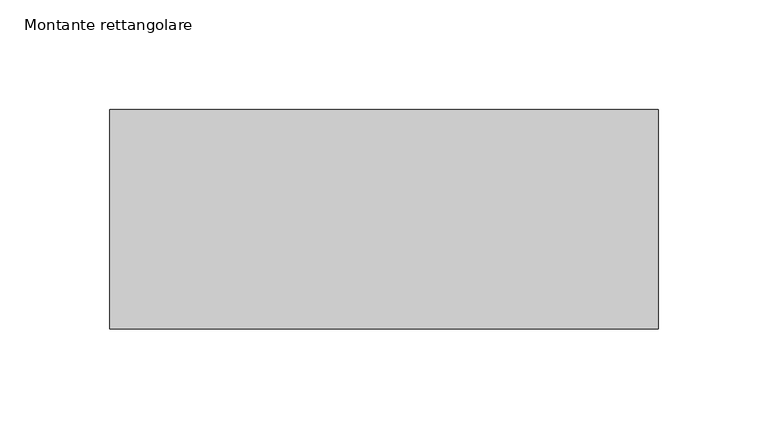
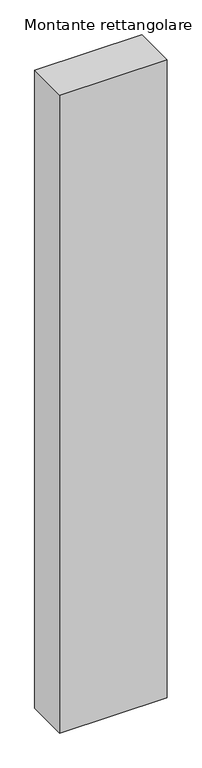
"""IFC4 building model written with IfcOpenShell, lengths in millimetres: member geometry, Montante rettangolare."""

import ifcopenshell
import ifcopenshell.guid

model = None  # the IFC model being written
_history = None  # IfcOwnerHistory: only IFC2X3 demands one
_inside = {}  # id of a spatial element -> (the spatial element, [elements in it])
_under = {}  # id of a project, library or spatial element -> (it, [spatial elements below it])
_declared = {}  # id of a project -> (the project, [libraries it declares])
_typed = {}  # id of a type object -> (the type object, [elements of that type])
_made_of = {}  # id of a material, layer set ... -> (it, [elements and type objects made of it])


def new_model(schema):
    """Start an empty IFC model of exactly this schema.

    Asked for "IFC4X3", IfcOpenShell would pick the latest addendum, in which some entities
    have other attributes; the version numbers below select the first issue.
    IFC2X3 requires an IfcOwnerHistory on every rooted entity: one is made here for all.
    """
    global model, _history
    if schema == "IFC4X3":
        model = ifcopenshell.file(schema_version=(4, 3, 0, 0))
    else:
        model = ifcopenshell.file(schema=schema)
    _inside.clear()
    _under.clear()
    _declared.clear()
    _typed.clear()
    _made_of.clear()
    _history = None
    if model.schema == "IFC2X3":
        org = make("IfcOrganization", Name="unknown")
        user = make(
            "IfcPersonAndOrganization",
            ThePerson=make("IfcPerson", FamilyName="unknown"),
            TheOrganization=org,
        )
        app = make(
            "IfcApplication",
            ApplicationDeveloper=org,
            Version="unknown",
            ApplicationFullName="unknown",
            ApplicationIdentifier="unknown",
        )
        _history = make(
            "IfcOwnerHistory",
            OwningUser=user,
            OwningApplication=app,
            ChangeAction="ADDED",
            CreationDate=0,
        )
    return model


def make(cls, **values):
    """One entity of the class cls with the attributes given. An attribute that is None is left unset."""
    return model.create_entity(
        cls, **{name: value for name, value in values.items() if value is not None}
    )


def rooted(cls, **values):
    """An entity with a GlobalId (a new one), such as an element, a storey or a relation."""
    return make(cls, GlobalId=ifcopenshell.guid.new(), OwnerHistory=_history, **values)


def si_unit(unit_type, name, prefix=None):
    """IfcSIUnit, for example si_unit("LENGTHUNIT", "METRE", prefix="MILLI")."""
    return make("IfcSIUnit", UnitType=unit_type, Prefix=prefix, Name=name)


def assignment(units):
    """IfcUnitAssignment: the units of a project."""
    return None if units is None else make("IfcUnitAssignment", Units=units)


def point(xyz):
    """IfcCartesianPoint."""
    return None if xyz is None else make("IfcCartesianPoint", Coordinates=xyz)


def direction(xyz):
    """IfcDirection."""
    return None if xyz is None else make("IfcDirection", DirectionRatios=xyz)


def frame(location, z_axis=None, x_axis=None):
    """IfcAxis2Placement3D, a coordinate frame: its origin and axes. An axis left out is left unset."""
    return make(
        "IfcAxis2Placement3D",
        Location=point(location),
        Axis=direction(z_axis),
        RefDirection=direction(x_axis),
    )


def origin():
    """The frame at (0, 0, 0) with its axes left unset."""
    return frame((0.0, 0.0, 0.0))


def place(relative_to, where):
    """IfcLocalPlacement: puts the frame where relative to a parent placement (None: the world)."""
    return make(
        "IfcLocalPlacement", PlacementRelTo=relative_to, RelativePlacement=where
    )


def context(
    kind, dimensions, precision=None, world=None, true_north=None, identifier=None
):
    """IfcGeometricRepresentationContext, for example the 3D "Model" context."""
    return make(
        "IfcGeometricRepresentationContext",
        ContextIdentifier=identifier,
        ContextType=kind,
        CoordinateSpaceDimension=dimensions,
        Precision=precision,
        WorldCoordinateSystem=world,
        TrueNorth=true_north,
    )


def project(units=None, contexts=None):
    """IfcProject with its units and contexts."""
    return rooted(
        "IfcProject",
        Name="project",
        RepresentationContexts=contexts,
        UnitsInContext=assignment(units),
    )


def spatial(cls, under=None, at=None, **own):
    """A site, building, storey or space (cls), placed at a placement, below another one or the project."""
    s = rooted(cls, ObjectPlacement=at, **own)
    if under is not None:
        _under.setdefault(under.id(), (under, []))[1].append(s)
    return s


def polyline(points):
    """IfcPolyline through the points."""
    return make("IfcPolyline", Points=[point(p) for p in points])


def outline(outer, holes=None, kind="AREA"):
    """IfcArbitraryClosedProfileDef: a profile drawn as a closed curve; with holes, ...WithVoids."""
    if holes is None:
        return make("IfcArbitraryClosedProfileDef", ProfileType=kind, OuterCurve=outer)
    return make(
        "IfcArbitraryProfileDefWithVoids",
        ProfileType=kind,
        OuterCurve=outer,
        InnerCurves=holes,
    )


def extrude(swept, where, along, depth):
    """IfcExtrudedAreaSolid: the profile swept, set in the frame where, extruded along a direction by depth."""
    return make(
        "IfcExtrudedAreaSolid",
        SweptArea=swept,
        Position=where,
        ExtrudedDirection=direction(along),
        Depth=depth,
    )


def shape(context_of_items, identifier, shape_type, items):
    """IfcShapeRepresentation: the items that make up one representation, for example the "Body"."""
    return make(
        "IfcShapeRepresentation",
        ContextOfItems=context_of_items,
        RepresentationIdentifier=identifier,
        RepresentationType=shape_type,
        Items=items,
    )


def source(mapping_origin, context_of_items, identifier, shape_type, items):
    """IfcRepresentationMap: a shape defined once, which mapped items show again and again."""
    return make(
        "IfcRepresentationMap",
        MappingOrigin=mapping_origin,
        MappedRepresentation=shape(context_of_items, identifier, shape_type, items),
    )


def transform(
    local_origin,
    x_axis=None,
    y_axis=None,
    z_axis=None,
    scale=None,
    scale2=None,
    scale3=None,
    uniform=True,
):
    """IfcCartesianTransformationOperator3D, or its non-uniform kind. x_axis, y_axis, z_axis: its Axis1, 2, 3."""
    if uniform:
        return make(
            "IfcCartesianTransformationOperator3D",
            Axis1=direction(x_axis),
            Axis2=direction(y_axis),
            LocalOrigin=point(local_origin),
            Scale=scale,
            Axis3=direction(z_axis),
        )
    return make(
        "IfcCartesianTransformationOperator3DnonUniform",
        Axis1=direction(x_axis),
        Axis2=direction(y_axis),
        LocalOrigin=point(local_origin),
        Scale=scale,
        Axis3=direction(z_axis),
        Scale2=scale2,
        Scale3=scale3,
    )


def mapped(mapping_source, mapping_target):
    """IfcMappedItem: shows the shape of a source again, moved by a transform."""
    return make(
        "IfcMappedItem", MappingSource=mapping_source, MappingTarget=mapping_target
    )


def made_of(thing, what):
    """Note that an element or type object is made of a material, layer set ...; save() writes the relation."""
    if what is not None:
        _made_of.setdefault(what.id(), (what, []))[1].append(thing)
    return thing


def element(
    cls,
    number,
    at=None,
    inside=None,
    cuts=None,
    type_object=None,
    material=None,
    context=None,
    identifier="Body",
    shape_type=None,
    held_by="IfcProductDefinitionShape",
    body=None,
    shapes=None,
    **own,
):
    """One element of the class cls, such as IfcWall. Its Tag is "e" and its number.

    at: its placement. inside: the storey or other place that contains it. cuts: it is an
    opening in that element (IfcRelVoidsElement). A single representation is given by context,
    identifier, shape_type and body (its items); several are given by shapes. held_by: the class
    of the entity that holds the representations. save() writes the other relations.
    """
    e = rooted(cls, Tag="e%d" % number, ObjectPlacement=at, **own)
    if body is not None:
        shapes = [shape(context, identifier, shape_type, body)]
    if shapes is not None:
        e.Representation = make(held_by, Representations=shapes)
    if inside is not None:
        _inside.setdefault(inside.id(), (inside, []))[1].append(e)
    if cuts is not None:
        rooted(
            "IfcRelVoidsElement", RelatingBuildingElement=cuts, RelatedOpeningElement=e
        )
    if type_object is not None:
        _typed.setdefault(type_object.id(), (type_object, []))[1].append(e)
    return made_of(e, material)


def aggregate(whole, parts):
    """IfcRelAggregates: a whole, such as a stair, and the parts it consists of."""
    return rooted("IfcRelAggregates", RelatingObject=whole, RelatedObjects=parts)


def save(model, path):
    """Write the relations noted so far, then the file.

    IfcRelAggregates (storeys below a building ...), IfcRelContainedInSpatialStructure (elements
    in a storey), IfcRelDefinesByType, IfcRelAssociatesMaterial and IfcRelDeclares: one each for
    every whole, place, type object, material and project.
    """
    for whole, parts in _under.values():
        aggregate(whole, parts)
    for where, things in _inside.values():
        rooted(
            "IfcRelContainedInSpatialStructure",
            RelatedElements=things,
            RelatingStructure=where,
        )
    for kind, things in _typed.values():
        rooted("IfcRelDefinesByType", RelatedObjects=things, RelatingType=kind)
    for what, things in _made_of.values():
        rooted("IfcRelAssociatesMaterial", RelatedObjects=things, RelatingMaterial=what)
    for by, libraries in _declared.values():
        rooted("IfcRelDeclares", RelatingContext=by, RelatedDefinitions=libraries)
    model.write(path)


def montante_rettangolare_ec62b931(model_context):
    return source(origin(), model_context, "Body", "SweptSolid", [
        extrude(outline(polyline([(0.0, 50.0), (0.0, -50.0), (-250.0, -50.0), (-250.0, 50.0), (0.0, 50.0)])), frame((0.0, 0.0, -1569.1528073), z_axis=(0.0, 0.0, 1.0), x_axis=(1.0, 0.0, 0.0)), (0.0, 0.0, 1.0), 1569.1528073),
    ])


if __name__ == "__main__":
    model = new_model("IFC4")
    model_context = context("Model", 3, world=origin())
    ifc_project = project(units=[si_unit("LENGTHUNIT", "METRE", prefix="MILLI")], contexts=[model_context])
    site = spatial("IfcSite", under=ifc_project)
    building = spatial("IfcBuilding", under=site)
    placement = place(None, origin())
    montante_rettangolare_shape = montante_rettangolare_ec62b931(model_context)
    element("IfcMember", 1, ObjectType="Montante rettangolare", at=placement, inside=building, context=model_context, shape_type="MappedRepresentation", body=[
        mapped(montante_rettangolare_shape, transform((0.0, 0.0, 0.0), x_axis=(1.0, 0.0, 0.0), y_axis=(0.0, 1.0, 0.0), z_axis=(0.0, 0.0, 1.0))),
    ])
    save(model, "model.ifc")
